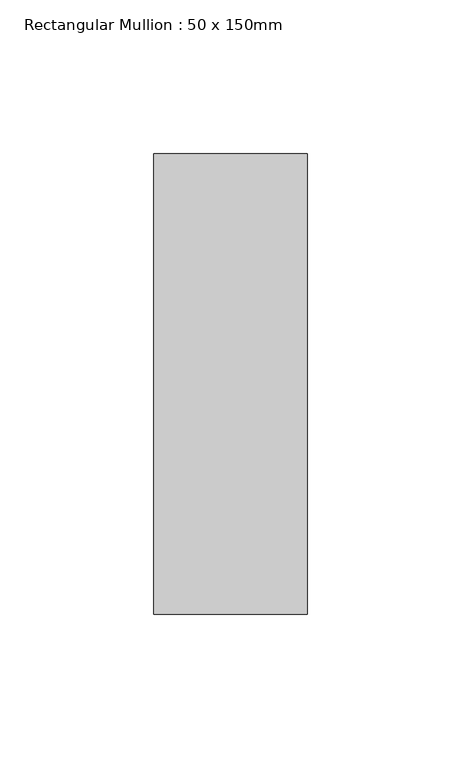
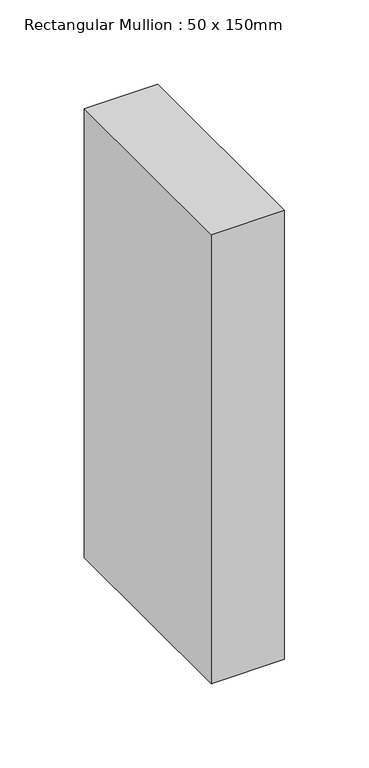
"""IFC4 building model written with IfcOpenShell, lengths in millimetres: member geometry, Rectangular Mullion : 50 x 150mm."""

import ifcopenshell
import ifcopenshell.guid

model = None  # the IFC model being written
_history = None  # IfcOwnerHistory: only IFC2X3 demands one
_inside = {}  # id of a spatial element -> (the spatial element, [elements in it])
_under = {}  # id of a project, library or spatial element -> (it, [spatial elements below it])
_declared = {}  # id of a project -> (the project, [libraries it declares])
_typed = {}  # id of a type object -> (the type object, [elements of that type])
_made_of = {}  # id of a material, layer set ... -> (it, [elements and type objects made of it])


def new_model(schema):
    """Start an empty IFC model of exactly this schema.

    Asked for "IFC4X3", IfcOpenShell would pick the latest addendum, in which some entities
    have other attributes; the version numbers below select the first issue.
    IFC2X3 requires an IfcOwnerHistory on every rooted entity: one is made here for all.
    """
    global model, _history
    if schema == "IFC4X3":
        model = ifcopenshell.file(schema_version=(4, 3, 0, 0))
    else:
        model = ifcopenshell.file(schema=schema)
    _inside.clear()
    _under.clear()
    _declared.clear()
    _typed.clear()
    _made_of.clear()
    _history = None
    if model.schema == "IFC2X3":
        org = make("IfcOrganization", Name="unknown")
        user = make(
            "IfcPersonAndOrganization",
            ThePerson=make("IfcPerson", FamilyName="unknown"),
            TheOrganization=org,
        )
        app = make(
            "IfcApplication",
            ApplicationDeveloper=org,
            Version="unknown",
            ApplicationFullName="unknown",
            ApplicationIdentifier="unknown",
        )
        _history = make(
            "IfcOwnerHistory",
            OwningUser=user,
            OwningApplication=app,
            ChangeAction="ADDED",
            CreationDate=0,
        )
    return model


def make(cls, **values):
    """One entity of the class cls with the attributes given. An attribute that is None is left unset."""
    return model.create_entity(
        cls, **{name: value for name, value in values.items() if value is not None}
    )


def rooted(cls, **values):
    """An entity with a GlobalId (a new one), such as an element, a storey or a relation."""
    return make(cls, GlobalId=ifcopenshell.guid.new(), OwnerHistory=_history, **values)


def si_unit(unit_type, name, prefix=None):
    """IfcSIUnit, for example si_unit("LENGTHUNIT", "METRE", prefix="MILLI")."""
    return make("IfcSIUnit", UnitType=unit_type, Prefix=prefix, Name=name)


def assignment(units):
    """IfcUnitAssignment: the units of a project."""
    return None if units is None else make("IfcUnitAssignment", Units=units)


def point(xyz):
    """IfcCartesianPoint."""
    return None if xyz is None else make("IfcCartesianPoint", Coordinates=xyz)


def direction(xyz):
    """IfcDirection."""
    return None if xyz is None else make("IfcDirection", DirectionRatios=xyz)


def frame(location, z_axis=None, x_axis=None):
    """IfcAxis2Placement3D, a coordinate frame: its origin and axes. An axis left out is left unset."""
    return make(
        "IfcAxis2Placement3D",
        Location=point(location),
        Axis=direction(z_axis),
        RefDirection=direction(x_axis),
    )


def origin():
    """The frame at (0, 0, 0) with its axes left unset."""
    return frame((0.0, 0.0, 0.0))


def place(relative_to, where):
    """IfcLocalPlacement: puts the frame where relative to a parent placement (None: the world)."""
    return make(
        "IfcLocalPlacement", PlacementRelTo=relative_to, RelativePlacement=where
    )


def context(
    kind, dimensions, precision=None, world=None, true_north=None, identifier=None
):
    """IfcGeometricRepresentationContext, for example the 3D "Model" context."""
    return make(
        "IfcGeometricRepresentationContext",
        ContextIdentifier=identifier,
        ContextType=kind,
        CoordinateSpaceDimension=dimensions,
        Precision=precision,
        WorldCoordinateSystem=world,
        TrueNorth=true_north,
    )


def project(units=None, contexts=None):
    """IfcProject with its units and contexts."""
    return rooted(
        "IfcProject",
        Name="project",
        RepresentationContexts=contexts,
        UnitsInContext=assignment(units),
    )


def spatial(cls, under=None, at=None, **own):
    """A site, building, storey or space (cls), placed at a placement, below another one or the project."""
    s = rooted(cls, ObjectPlacement=at, **own)
    if under is not None:
        _under.setdefault(under.id(), (under, []))[1].append(s)
    return s


def polyline(points):
    """IfcPolyline through the points."""
    return make("IfcPolyline", Points=[point(p) for p in points])


def outline(outer, holes=None, kind="AREA"):
    """IfcArbitraryClosedProfileDef: a profile drawn as a closed curve; with holes, ...WithVoids."""
    if holes is None:
        return make("IfcArbitraryClosedProfileDef", ProfileType=kind, OuterCurve=outer)
    return make(
        "IfcArbitraryProfileDefWithVoids",
        ProfileType=kind,
        OuterCurve=outer,
        InnerCurves=holes,
    )


def extrude(swept, where, along, depth):
    """IfcExtrudedAreaSolid: the profile swept, set in the frame where, extruded along a direction by depth."""
    return make(
        "IfcExtrudedAreaSolid",
        SweptArea=swept,
        Position=where,
        ExtrudedDirection=direction(along),
        Depth=depth,
    )


def shape(context_of_items, identifier, shape_type, items):
    """IfcShapeRepresentation: the items that make up one representation, for example the "Body"."""
    return make(
        "IfcShapeRepresentation",
        ContextOfItems=context_of_items,
        RepresentationIdentifier=identifier,
        RepresentationType=shape_type,
        Items=items,
    )


def source(mapping_origin, context_of_items, identifier, shape_type, items):
    """IfcRepresentationMap: a shape defined once, which mapped items show again and again."""
    return make(
        "IfcRepresentationMap",
        MappingOrigin=mapping_origin,
        MappedRepresentation=shape(context_of_items, identifier, shape_type, items),
    )


def transform(
    local_origin,
    x_axis=None,
    y_axis=None,
    z_axis=None,
    scale=None,
    scale2=None,
    scale3=None,
    uniform=True,
):
    """IfcCartesianTransformationOperator3D, or its non-uniform kind. x_axis, y_axis, z_axis: its Axis1, 2, 3."""
    if uniform:
        return make(
            "IfcCartesianTransformationOperator3D",
            Axis1=direction(x_axis),
            Axis2=direction(y_axis),
            LocalOrigin=point(local_origin),
            Scale=scale,
            Axis3=direction(z_axis),
        )
    return make(
        "IfcCartesianTransformationOperator3DnonUniform",
        Axis1=direction(x_axis),
        Axis2=direction(y_axis),
        LocalOrigin=point(local_origin),
        Scale=scale,
        Axis3=direction(z_axis),
        Scale2=scale2,
        Scale3=scale3,
    )


def mapped(mapping_source, mapping_target):
    """IfcMappedItem: shows the shape of a source again, moved by a transform."""
    return make(
        "IfcMappedItem", MappingSource=mapping_source, MappingTarget=mapping_target
    )


def made_of(thing, what):
    """Note that an element or type object is made of a material, layer set ...; save() writes the relation."""
    if what is not None:
        _made_of.setdefault(what.id(), (what, []))[1].append(thing)
    return thing


def element(
    cls,
    number,
    at=None,
    inside=None,
    cuts=None,
    type_object=None,
    material=None,
    context=None,
    identifier="Body",
    shape_type=None,
    held_by="IfcProductDefinitionShape",
    body=None,
    shapes=None,
    **own,
):
    """One element of the class cls, such as IfcWall. Its Tag is "e" and its number.

    at: its placement. inside: the storey or other place that contains it. cuts: it is an
    opening in that element (IfcRelVoidsElement). A single representation is given by context,
    identifier, shape_type and body (its items); several are given by shapes. held_by: the class
    of the entity that holds the representations. save() writes the other relations.
    """
    e = rooted(cls, Tag="e%d" % number, ObjectPlacement=at, **own)
    if body is not None:
        shapes = [shape(context, identifier, shape_type, body)]
    if shapes is not None:
        e.Representation = make(held_by, Representations=shapes)
    if inside is not None:
        _inside.setdefault(inside.id(), (inside, []))[1].append(e)
    if cuts is not None:
        rooted(
            "IfcRelVoidsElement", RelatingBuildingElement=cuts, RelatedOpeningElement=e
        )
    if type_object is not None:
        _typed.setdefault(type_object.id(), (type_object, []))[1].append(e)
    return made_of(e, material)


def aggregate(whole, parts):
    """IfcRelAggregates: a whole, such as a stair, and the parts it consists of."""
    return rooted("IfcRelAggregates", RelatingObject=whole, RelatedObjects=parts)


def save(model, path):
    """Write the relations noted so far, then the file.

    IfcRelAggregates (storeys below a building ...), IfcRelContainedInSpatialStructure (elements
    in a storey), IfcRelDefinesByType, IfcRelAssociatesMaterial and IfcRelDeclares: one each for
    every whole, place, type object, material and project.
    """
    for whole, parts in _under.values():
        aggregate(whole, parts)
    for where, things in _inside.values():
        rooted(
            "IfcRelContainedInSpatialStructure",
            RelatedElements=things,
            RelatingStructure=where,
        )
    for kind, things in _typed.values():
        rooted("IfcRelDefinesByType", RelatedObjects=things, RelatingType=kind)
    for what, things in _made_of.values():
        rooted("IfcRelAssociatesMaterial", RelatedObjects=things, RelatingMaterial=what)
    for by, libraries in _declared.values():
        rooted("IfcRelDeclares", RelatingContext=by, RelatedDefinitions=libraries)
    model.write(path)


def rectangular_mullion_50_x_150mm_ba856b38(model_context):
    return source(origin(), model_context, "Body", "SweptSolid", [
        extrude(outline(polyline([(25.0, 75.0), (25.0, -75.0), (-25.0, -75.0), (-25.0, 75.0), (25.0, 75.0)])), frame((0.0, 0.0, -324.3333333), z_axis=(0.0, 0.0, 1.0), x_axis=(1.0, 0.0, 0.0)), (0.0, 0.0, 1.0), 324.3333333),
    ])


if __name__ == "__main__":
    model = new_model("IFC4")
    model_context = context("Model", 3, world=origin())
    ifc_project = project(units=[si_unit("LENGTHUNIT", "METRE", prefix="MILLI")], contexts=[model_context])
    site = spatial("IfcSite", under=ifc_project)
    building = spatial("IfcBuilding", under=site)
    placement = place(None, origin())
    rectangular_mullion_50_x_150mm_shape = rectangular_mullion_50_x_150mm_ba856b38(model_context)
    element("IfcMember", 1, ObjectType="Rectangular Mullion : 50 x 150mm", at=placement, inside=building, context=model_context, shape_type="MappedRepresentation", body=[
        mapped(rectangular_mullion_50_x_150mm_shape, transform((0.0, 0.0, 0.0), x_axis=(1.0, 0.0, 0.0), y_axis=(0.0, 1.0, 0.0), z_axis=(0.0, 0.0, 1.0))),
    ])
    save(model, "model.ifc")
